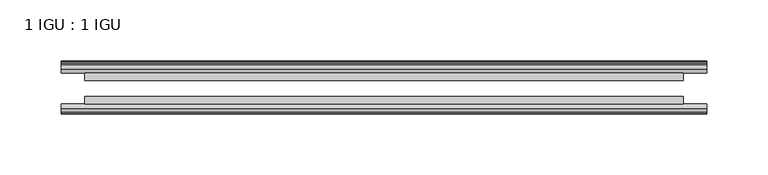
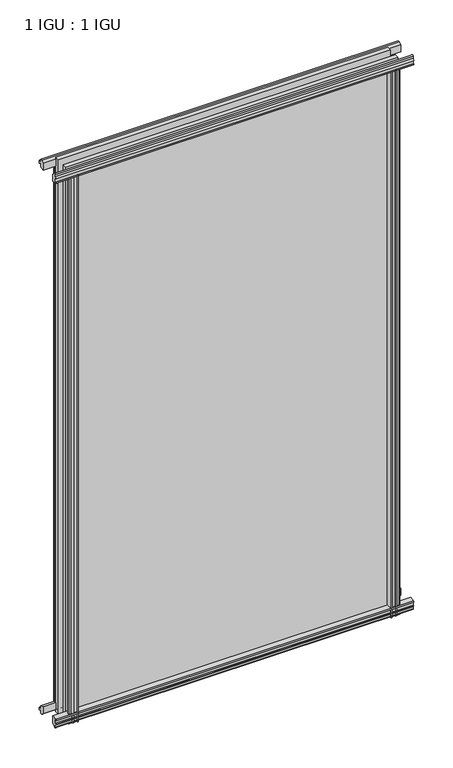
"""IFC4 building model written with IfcOpenShell, lengths in millimetres: plate geometry, 1 IGU : 1 IGU."""

import ifcopenshell
import ifcopenshell.guid

model = None  # the IFC model being written
_history = None  # IfcOwnerHistory: only IFC2X3 demands one
_inside = {}  # id of a spatial element -> (the spatial element, [elements in it])
_under = {}  # id of a project, library or spatial element -> (it, [spatial elements below it])
_declared = {}  # id of a project -> (the project, [libraries it declares])
_typed = {}  # id of a type object -> (the type object, [elements of that type])
_made_of = {}  # id of a material, layer set ... -> (it, [elements and type objects made of it])


def new_model(schema):
    """Start an empty IFC model of exactly this schema.

    Asked for "IFC4X3", IfcOpenShell would pick the latest addendum, in which some entities
    have other attributes; the version numbers below select the first issue.
    IFC2X3 requires an IfcOwnerHistory on every rooted entity: one is made here for all.
    """
    global model, _history
    if schema == "IFC4X3":
        model = ifcopenshell.file(schema_version=(4, 3, 0, 0))
    else:
        model = ifcopenshell.file(schema=schema)
    _inside.clear()
    _under.clear()
    _declared.clear()
    _typed.clear()
    _made_of.clear()
    _history = None
    if model.schema == "IFC2X3":
        org = make("IfcOrganization", Name="unknown")
        user = make(
            "IfcPersonAndOrganization",
            ThePerson=make("IfcPerson", FamilyName="unknown"),
            TheOrganization=org,
        )
        app = make(
            "IfcApplication",
            ApplicationDeveloper=org,
            Version="unknown",
            ApplicationFullName="unknown",
            ApplicationIdentifier="unknown",
        )
        _history = make(
            "IfcOwnerHistory",
            OwningUser=user,
            OwningApplication=app,
            ChangeAction="ADDED",
            CreationDate=0,
        )
    return model


def make(cls, **values):
    """One entity of the class cls with the attributes given. An attribute that is None is left unset."""
    return model.create_entity(
        cls, **{name: value for name, value in values.items() if value is not None}
    )


def rooted(cls, **values):
    """An entity with a GlobalId (a new one), such as an element, a storey or a relation."""
    return make(cls, GlobalId=ifcopenshell.guid.new(), OwnerHistory=_history, **values)


def si_unit(unit_type, name, prefix=None):
    """IfcSIUnit, for example si_unit("LENGTHUNIT", "METRE", prefix="MILLI")."""
    return make("IfcSIUnit", UnitType=unit_type, Prefix=prefix, Name=name)


def assignment(units):
    """IfcUnitAssignment: the units of a project."""
    return None if units is None else make("IfcUnitAssignment", Units=units)


def point(xyz):
    """IfcCartesianPoint."""
    return None if xyz is None else make("IfcCartesianPoint", Coordinates=xyz)


def direction(xyz):
    """IfcDirection."""
    return None if xyz is None else make("IfcDirection", DirectionRatios=xyz)


def frame(location, z_axis=None, x_axis=None):
    """IfcAxis2Placement3D, a coordinate frame: its origin and axes. An axis left out is left unset."""
    return make(
        "IfcAxis2Placement3D",
        Location=point(location),
        Axis=direction(z_axis),
        RefDirection=direction(x_axis),
    )


def frame_2d(location, x_axis=None):
    """IfcAxis2Placement2D, a coordinate frame in the plane: its origin and x axis."""
    return make(
        "IfcAxis2Placement2D", Location=point(location), RefDirection=direction(x_axis)
    )


def origin():
    """The frame at (0, 0, 0) with its axes left unset."""
    return frame((0.0, 0.0, 0.0))


def place(relative_to, where):
    """IfcLocalPlacement: puts the frame where relative to a parent placement (None: the world)."""
    return make(
        "IfcLocalPlacement", PlacementRelTo=relative_to, RelativePlacement=where
    )


def context(
    kind, dimensions, precision=None, world=None, true_north=None, identifier=None
):
    """IfcGeometricRepresentationContext, for example the 3D "Model" context."""
    return make(
        "IfcGeometricRepresentationContext",
        ContextIdentifier=identifier,
        ContextType=kind,
        CoordinateSpaceDimension=dimensions,
        Precision=precision,
        WorldCoordinateSystem=world,
        TrueNorth=true_north,
    )


def project(units=None, contexts=None):
    """IfcProject with its units and contexts."""
    return rooted(
        "IfcProject",
        Name="project",
        RepresentationContexts=contexts,
        UnitsInContext=assignment(units),
    )


def spatial(cls, under=None, at=None, **own):
    """A site, building, storey or space (cls), placed at a placement, below another one or the project."""
    s = rooted(cls, ObjectPlacement=at, **own)
    if under is not None:
        _under.setdefault(under.id(), (under, []))[1].append(s)
    return s


def polyline(points):
    """IfcPolyline through the points."""
    return make("IfcPolyline", Points=[point(p) for p in points])


def circle_curve(where, radius):
    """IfcCircle in the frame where."""
    return make("IfcCircle", Position=where, Radius=radius)


def trimmed(basis, trim1, trim2, sense, master):
    """IfcTrimmedCurve: the piece of a basis curve between two trims."""
    return make(
        "IfcTrimmedCurve",
        BasisCurve=basis,
        Trim1=trim1,
        Trim2=trim2,
        SenseAgreement=sense,
        MasterRepresentation=master,
    )


def segment(curve, same_sense, transition):
    """IfcCompositeCurveSegment."""
    return make(
        "IfcCompositeCurveSegment",
        Transition=transition,
        SameSense=same_sense,
        ParentCurve=curve,
    )


def composite_curve(segments, self_intersect=None):
    """IfcCompositeCurve: segments joined end to end."""
    return make("IfcCompositeCurve", Segments=segments, SelfIntersect=self_intersect)


def outline(outer, holes=None, kind="AREA"):
    """IfcArbitraryClosedProfileDef: a profile drawn as a closed curve; with holes, ...WithVoids."""
    if holes is None:
        return make("IfcArbitraryClosedProfileDef", ProfileType=kind, OuterCurve=outer)
    return make(
        "IfcArbitraryProfileDefWithVoids",
        ProfileType=kind,
        OuterCurve=outer,
        InnerCurves=holes,
    )


def extrude(swept, where, along, depth):
    """IfcExtrudedAreaSolid: the profile swept, set in the frame where, extruded along a direction by depth."""
    return make(
        "IfcExtrudedAreaSolid",
        SweptArea=swept,
        Position=where,
        ExtrudedDirection=direction(along),
        Depth=depth,
    )


def shape(context_of_items, identifier, shape_type, items):
    """IfcShapeRepresentation: the items that make up one representation, for example the "Body"."""
    return make(
        "IfcShapeRepresentation",
        ContextOfItems=context_of_items,
        RepresentationIdentifier=identifier,
        RepresentationType=shape_type,
        Items=items,
    )


def source(mapping_origin, context_of_items, identifier, shape_type, items):
    """IfcRepresentationMap: a shape defined once, which mapped items show again and again."""
    return make(
        "IfcRepresentationMap",
        MappingOrigin=mapping_origin,
        MappedRepresentation=shape(context_of_items, identifier, shape_type, items),
    )


def transform(
    local_origin,
    x_axis=None,
    y_axis=None,
    z_axis=None,
    scale=None,
    scale2=None,
    scale3=None,
    uniform=True,
):
    """IfcCartesianTransformationOperator3D, or its non-uniform kind. x_axis, y_axis, z_axis: its Axis1, 2, 3."""
    if uniform:
        return make(
            "IfcCartesianTransformationOperator3D",
            Axis1=direction(x_axis),
            Axis2=direction(y_axis),
            LocalOrigin=point(local_origin),
            Scale=scale,
            Axis3=direction(z_axis),
        )
    return make(
        "IfcCartesianTransformationOperator3DnonUniform",
        Axis1=direction(x_axis),
        Axis2=direction(y_axis),
        LocalOrigin=point(local_origin),
        Scale=scale,
        Axis3=direction(z_axis),
        Scale2=scale2,
        Scale3=scale3,
    )


def mapped(mapping_source, mapping_target):
    """IfcMappedItem: shows the shape of a source again, moved by a transform."""
    return make(
        "IfcMappedItem", MappingSource=mapping_source, MappingTarget=mapping_target
    )


def made_of(thing, what):
    """Note that an element or type object is made of a material, layer set ...; save() writes the relation."""
    if what is not None:
        _made_of.setdefault(what.id(), (what, []))[1].append(thing)
    return thing


def element(
    cls,
    number,
    at=None,
    inside=None,
    cuts=None,
    type_object=None,
    material=None,
    context=None,
    identifier="Body",
    shape_type=None,
    held_by="IfcProductDefinitionShape",
    body=None,
    shapes=None,
    **own,
):
    """One element of the class cls, such as IfcWall. Its Tag is "e" and its number.

    at: its placement. inside: the storey or other place that contains it. cuts: it is an
    opening in that element (IfcRelVoidsElement). A single representation is given by context,
    identifier, shape_type and body (its items); several are given by shapes. held_by: the class
    of the entity that holds the representations. save() writes the other relations.
    """
    e = rooted(cls, Tag="e%d" % number, ObjectPlacement=at, **own)
    if body is not None:
        shapes = [shape(context, identifier, shape_type, body)]
    if shapes is not None:
        e.Representation = make(held_by, Representations=shapes)
    if inside is not None:
        _inside.setdefault(inside.id(), (inside, []))[1].append(e)
    if cuts is not None:
        rooted(
            "IfcRelVoidsElement", RelatingBuildingElement=cuts, RelatedOpeningElement=e
        )
    if type_object is not None:
        _typed.setdefault(type_object.id(), (type_object, []))[1].append(e)
    return made_of(e, material)


def aggregate(whole, parts):
    """IfcRelAggregates: a whole, such as a stair, and the parts it consists of."""
    return rooted("IfcRelAggregates", RelatingObject=whole, RelatedObjects=parts)


def save(model, path):
    """Write the relations noted so far, then the file.

    IfcRelAggregates (storeys below a building ...), IfcRelContainedInSpatialStructure (elements
    in a storey), IfcRelDefinesByType, IfcRelAssociatesMaterial and IfcRelDeclares: one each for
    every whole, place, type object, material and project.
    """
    for whole, parts in _under.values():
        aggregate(whole, parts)
    for where, things in _inside.values():
        rooted(
            "IfcRelContainedInSpatialStructure",
            RelatedElements=things,
            RelatingStructure=where,
        )
    for kind, things in _typed.values():
        rooted("IfcRelDefinesByType", RelatedObjects=things, RelatingType=kind)
    for what, things in _made_of.values():
        rooted("IfcRelAssociatesMaterial", RelatedObjects=things, RelatingMaterial=what)
    for by, libraries in _declared.values():
        rooted("IfcRelDeclares", RelatingContext=by, RelatedDefinitions=libraries)
    model.write(path)


def plate_1_igu_1_igu_c6544884(model_context):
    return source(origin(), model_context, "Body", "SweptSolid", [
        extrude(outline(composite_curve([segment(polyline([(-46.2359545, 846.392137), (-46.2359545, 835.3699197), (-53.3197108, 836.7372291)]), True, "CONTINUOUS"), segment(trimmed(circle_curve(frame_2d((-53.1447545, 837.7380519)), 1.016), [point((-53.3197108, 836.7372291))], [point((-53.8888005, 838.4298983))], False, "CARTESIAN"), True, "CONTINUOUS"), segment(polyline([(-53.8888005, 838.4298983), (-52.5859205, 838.2460519), (-52.5859205, 843.6562519), (-54.0652165, 843.9170917), (-52.5859205, 846.5010519), (-52.5859205, 849.6760519)]), True, "CONTINUOUS"), segment(trimmed(circle_curve(frame_2d((-51.3159205, 849.6760519)), 1.27), [point((-52.5859205, 849.6760519))], [point((-50.4178949, 850.5740775))], False, "CARTESIAN"), True, "CONTINUOUS"), segment(polyline([(-50.4178949, 850.5740775), (-46.2359545, 846.392137)]), True, "CONTINUOUS")], self_intersect=False)), frame((-263.5141462, 0.0, 0.0), z_axis=(1.0, 0.0, 0.0), x_axis=(0.0, 1.0, 0.0)), (0.0, 0.0, 1.0), 527.0282924),
        extrude(outline(polyline([(-17.4323375, 850.8285625), (-14.4859375, 850.8285625), (-14.4859375, 846.3835625), (-12.1057405, 846.0025625), (-12.5656738, 847.4180916), (-11.7644596, 847.4180916), (-11.0569375, 845.2405625), (-11.7644596, 843.0630334), (-12.5656738, 843.0630334), (-12.1057405, 844.4785625), (-14.4859375, 844.0975625), (-14.4859375, 838.8905625), (-20.8359545, 837.1728398), (-20.8359545, 847.9942062), (-17.4323375, 850.8285625)])), frame((-263.5141462, 0.0, 0.0), z_axis=(1.0, 0.0, 0.0), x_axis=(0.0, 1.0, 0.0)), (0.0, 0.0, 1.0), 527.0282924),
        extrude(outline(polyline([(-20.8359545, 1.2049602), (-14.4859375, -0.5127625), (-14.4859375, -5.7197625), (-12.1057405, -6.1007625), (-12.5656738, -4.6852334), (-11.7644596, -4.6852334), (-11.0569375, -6.8627625), (-11.7644596, -9.0402916), (-12.5656738, -9.0402916), (-12.1057405, -7.6247625), (-14.4859375, -8.0057625), (-14.4859375, -12.4507625), (-17.4323375, -12.4507625), (-20.8359545, -9.6164062), (-20.8359545, 1.2049602)])), frame((-263.5141462, 0.0, 0.0), z_axis=(1.0, 0.0, 0.0), x_axis=(0.0, 1.0, 0.0)), (0.0, 0.0, 1.0), 527.0282924),
        extrude(outline(composite_curve([segment(polyline([(-53.3197108, 1.6405709), (-46.2359545, 3.0078803), (-46.2359545, -8.014337), (-50.4178949, -12.1962775)]), True, "CONTINUOUS"), segment(trimmed(circle_curve(frame_2d((-51.3159205, -11.2982519)), 1.27), [point((-50.4178949, -12.1962775))], [point((-52.5859205, -11.2982519))], False, "CARTESIAN"), True, "CONTINUOUS"), segment(polyline([(-52.5859205, -11.2982519), (-52.5859205, -8.1232519), (-54.0652165, -5.5392917), (-52.5859205, -5.2784519), (-52.5859205, 0.1317481), (-53.8888005, -0.0520983)]), True, "CONTINUOUS"), segment(trimmed(circle_curve(frame_2d((-53.1447545, 0.6397481)), 1.016), [point((-53.8888005, -0.0520983))], [point((-53.3197108, 1.6405709))], False, "CARTESIAN"), True, "CONTINUOUS")], self_intersect=False)), frame((-263.5141462, 0.0, 0.0), z_axis=(1.0, 0.0, 0.0), x_axis=(0.0, 1.0, 0.0)), (0.0, 0.0, 1.0), 527.0282924),
        extrude(outline(polyline([(-239.4136265, -12.1057405), (-240.8291555, -12.5656738), (-240.8291555, -11.7644596), (-238.6516265, -11.0569375), (-236.4740974, -11.7644596), (-236.4740974, -12.5656738), (-237.8896265, -12.1057405), (-237.5086265, -14.4859375), (-232.3016265, -14.4859375), (-230.5839084, -20.8359375), (-241.4052843, -20.8359375), (-244.2396265, -17.4323375), (-244.2396265, -14.4859375), (-239.7946265, -14.4859375), (-239.4136265, -12.1057405)])), frame((0.0, 0.0, -12.6752823), z_axis=(0.0, 0.0, 1.0), x_axis=(1.0, 0.0, 0.0)), (0.0, 0.0, 1.0), 851.0530823),
        extrude(outline(composite_curve([segment(polyline([(-239.803184, -46.2359375), (-228.7809804, -46.2359375), (-230.1482931, -53.3197108)]), True, "CONTINUOUS"), segment(trimmed(circle_curve(frame_2d((-231.1491159, -53.1447545)), 1.016), [point((-230.1482931, -53.3197108))], [point((-231.8409623, -53.8888005))], False, "CARTESIAN"), True, "CONTINUOUS"), segment(polyline([(-231.8409623, -53.8888005), (-231.6571159, -52.5859205), (-237.0673159, -52.5859205), (-237.3281557, -54.0652165), (-239.9121159, -52.5859205), (-243.0871159, -52.5859205)]), True, "CONTINUOUS"), segment(trimmed(circle_curve(frame_2d((-243.0871159, -51.3159205)), 1.27), [point((-243.0871159, -52.5859205))], [point((-243.9851415, -50.4178949))], False, "CARTESIAN"), True, "CONTINUOUS"), segment(polyline([(-243.9851415, -50.4178949), (-239.803184, -46.2359375)]), True, "CONTINUOUS")], self_intersect=False)), frame((0.0, 0.0, -12.6752823), z_axis=(0.0, 0.0, 1.0), x_axis=(1.0, 0.0, 0.0)), (0.0, 0.0, 1.0), 851.0530823),
        extrude(outline(composite_curve([segment(polyline([(230.1482931, -53.3197108), (228.7809804, -46.2359375), (239.803184, -46.2359375), (243.9851415, -50.4178949)]), True, "CONTINUOUS"), segment(trimmed(circle_curve(frame_2d((243.0871159, -51.3159205)), 1.27), [point((243.9851415, -50.4178949))], [point((243.0871159, -52.5859205))], False, "CARTESIAN"), True, "CONTINUOUS"), segment(polyline([(243.0871159, -52.5859205), (239.9121159, -52.5859205), (237.3281557, -54.0652165), (237.0673159, -52.5859205), (231.6571159, -52.5859205), (231.8800793, -53.8504091)]), True, "CONTINUOUS"), segment(trimmed(circle_curve(frame_2d((231.1491159, -53.1447545)), 1.016), [point((231.8800793, -53.8504091))], [point((230.1482931, -53.3197108))], False, "CARTESIAN"), True, "CONTINUOUS")], self_intersect=False)), frame((0.0, 0.0, -12.6752823), z_axis=(0.0, 0.0, 1.0), x_axis=(1.0, 0.0, 0.0)), (0.0, 0.0, 1.0), 851.0530823),
        extrude(outline(polyline([(236.4740974, -11.7644596), (238.6516265, -11.0569375), (240.8291555, -11.7644596), (240.8291555, -12.5656738), (239.4136265, -12.1057405), (239.7946265, -14.4859375), (244.2396265, -14.4859375), (244.2396265, -17.4323375), (241.4052843, -20.8359375), (230.5839084, -20.8359375), (232.3016265, -14.4859375), (237.5086265, -14.4859375), (237.8896265, -12.1057405), (236.4740974, -12.5656738), (236.4740974, -11.7644596)])), frame((0.0, 0.0, -12.6752823), z_axis=(0.0, 0.0, 1.0), x_axis=(1.0, 0.0, 0.0)), (0.0, 0.0, 1.0), 851.0530823),
        extrude(outline(polyline([(244.4641462, -20.8359375), (244.4641462, -27.1859375), (-244.4641462, -27.1859375), (-244.4641462, -20.8359375), (244.4641462, -20.8359375)])), frame((0.0, 0.0, -12.6752823), z_axis=(0.0, 0.0, 1.0), x_axis=(1.0, 0.0, 0.0)), (0.0, 0.0, 1.0), 863.7283645),
        extrude(outline(polyline([(-244.4641462, -46.2359375), (-244.4641462, -39.8859375), (244.4641462, -39.8859375), (244.4641462, -46.2359375), (-244.4641462, -46.2359375)])), frame((0.0, 0.0, -12.6752823), z_axis=(0.0, 0.0, 1.0), x_axis=(1.0, 0.0, 0.0)), (0.0, 0.0, 1.0), 863.7283645),
    ])


if __name__ == "__main__":
    model = new_model("IFC4")
    model_context = context("Model", 3, world=origin())
    ifc_project = project(units=[si_unit("LENGTHUNIT", "METRE", prefix="MILLI")], contexts=[model_context])
    site = spatial("IfcSite", under=ifc_project)
    building = spatial("IfcBuilding", under=site)
    placement = place(None, origin())
    plate_1_igu_1_igu_shape = plate_1_igu_1_igu_c6544884(model_context)
    element("IfcPlate", 1, ObjectType="1 IGU : 1 IGU", at=placement, inside=building, context=model_context, shape_type="MappedRepresentation", body=[
        mapped(plate_1_igu_1_igu_shape, transform((0.0, 0.0, 0.0), x_axis=(1.0, 0.0, 0.0), y_axis=(0.0, 1.0, 0.0), z_axis=(0.0, 0.0, 1.0))),
    ])
    save(model, "model.ifc")
